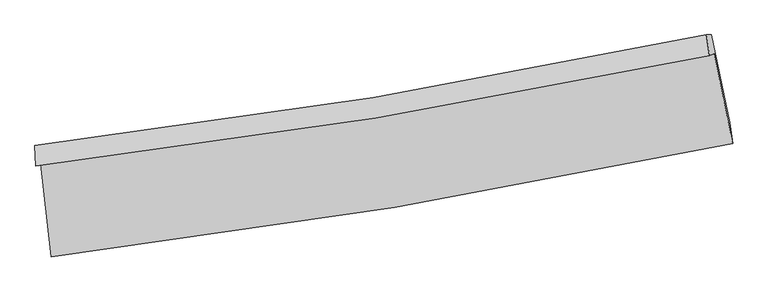
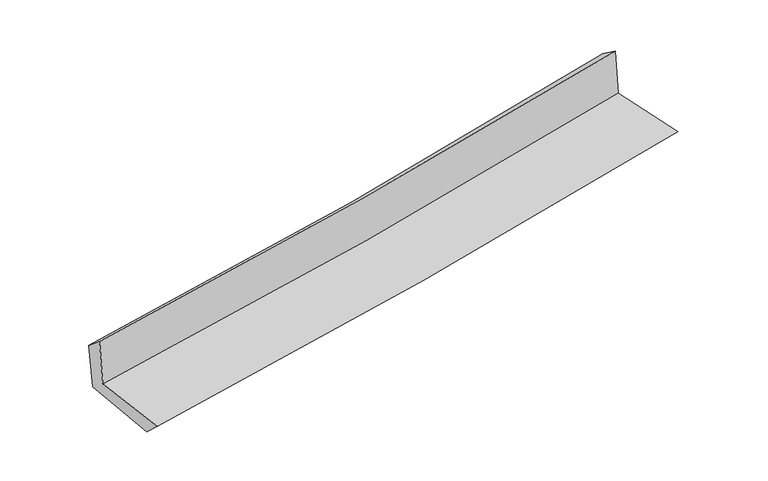
"""IFC4 building model written with IfcOpenShell, lengths in millimetres: proxy geometry."""

from ifc_helpers import new_model, si_unit, frame, origin, place, context, project, spatial, source, transform, mapped, element, save
from ifc_brep_helpers import plane_surface, spline_curve, spline_surface, advanced_brep


def generic_models_b63fba19(model_context):
    return source(origin(), model_context, "Body", "AdvancedBrep", [
        advanced_brep(
        [(-2473.3568721, -1880.8047891, 1663.1729171), (-2396.5465949, -2553.4709357, 1661.6167341), (2544.1783965, -1733.1470236, 2109.5174377), (2410.2389899, -1079.769251, 2109.6791212), (-2508.6511886, -1894.4451464, 2070.2486688), (2375.7689759, -1093.0910364, 2507.247575), (-2514.5691086, -1744.9427955, 1947.3812389), (2355.0473581, -943.7905499, 2401.6496635), (-2479.2338267, -1744.9798891, 1557.0746754), (2391.056408, -943.6471113, 2016.5013736), (-2400.8939368, -2406.6254664, 1524.7443002), (2524.254752, -1581.4342616, 1990.1072119)],
        [
            (0, 1),
            (1, 2, spline_curve(3, [(-2396.5465949, -2553.4709357, 1661.6167341), (-1564.019861424, -2453.392752141, 1741.774247164), (-733.979248612, -2334.557386017, 1819.352185218), (912.879759905, -2060.743961337, 1968.601243859), (1729.747477897, -1906.138023845, 2040.32354054), (2544.1783965, -1733.1470236, 2109.5174377)], [4, 2, 4], [0.0, 8.243399572650777, 16.40461985446414])),
            (2, 3),
            (3, 0, spline_curve(3, [(2410.2389899, -1079.769251, 2109.6791212), (1606.20146857, -1248.933403367, 2039.485765094), (799.269664396, -1400.025031092, 1967.37628246), (-828.537041589, -1667.402671866, 1818.579664328), (-1649.470524658, -1783.322890065, 1741.853745484), (-2473.3568721, -1880.8047891, 1663.1729171)], [4, 2, 4], [0.0, 8.161220281813364, 16.40461985446414])),
            (4, 0),
            (3, 5),
            (5, 4, spline_curve(3, [(2375.7689759, -1093.0910364, 2507.247575), (1571.319991551, -1262.414208734, 2441.799930141), (764.113419891, -1413.612027177, 2372.859546674), (-863.970820398, -1681.096927902, 2227.263939044), (-1684.904303612, -1797.017146019, 2150.538020147), (-2508.6511886, -1894.4451464, 2070.2486688)], [4, 2, 4], [0.0, 8.112767492344197, 16.307226380855628])),
            (6, 4),
            (5, 7),
            (7, 6, spline_curve(3, [(2355.0473581, -943.7905499, 2401.6496635), (1553.924400118, -1113.337712096, 2327.224529802), (749.610484794, -1264.631432531, 2252.348171551), (-873.530417746, -1532.051637453, 2100.934496234), (-1692.421991662, -1647.808665536, 2024.388046313), (-2514.5691086, -1744.9427955, 1947.3812389)], [4, 2, 4], [0.0, 8.102144141643945, 16.285872707777273])),
            (8, 6),
            (7, 9),
            (9, 8, spline_curve(3, [(2391.056408, -943.6471113, 2016.5013736), (1589.960524398, -1113.235182879, 1939.534207973), (785.604627892, -1264.564354663, 1862.954906546), (-837.759466327, -1532.044847334, 1709.804823266), (-1656.833648217, -1647.826601663, 1633.241892085), (-2479.2338267, -1744.9798891, 1557.0746754)], [4, 2, 4], [0.0, 8.092478665331345, 16.26644442877666])),
            (10, 8),
            (9, 11),
            (11, 10, spline_curve(3, [(2524.254752, -1581.4342616, 1990.1072119), (1713.609080363, -1757.17425713, 1912.000312211), (899.928520101, -1913.563132056, 1834.358548284), (-741.726282026, -2189.018540651, 1679.228163164), (-1569.761951394, -2307.693400592, 1601.748956432), (-2400.8939368, -2406.6254664, 1524.7443002)], [4, 2, 4], [0.0, 8.141183539924393, 16.364344611000483])),
            (1, 10),
            (11, 2),
        ],
        [
            spline_surface(3, 3, [[(-2473.3568721, -1880.8047891, 1663.1729171), (-1649.470524778, -1783.322889971, 1741.853745516), (-828.537041595, -1667.40267174, 1818.579664269), (799.269664402, -1400.025031217, 1967.376282518), (1606.201468539, -1248.933403373, 2039.485765159), (2410.2389899, -1079.769251, 2109.6791212)], [(-2447.75344638, -2105.026837986, 1662.654189431), (-1620.986970332, -2006.679510758, 1741.827246093), (-797.017777314, -1889.787576468, 1818.837171223), (837.139696271, -1620.264674637, 1967.784602988), (1647.383471614, -1468.001610171, 2039.765023644), (2454.885458746, -1297.561841844, 2109.625226707)], [(-2422.15002062, -2329.248886814, 1662.135461769), (-1592.503415848, -2230.036131488, 1741.800746675), (-765.498513016, -2112.172481172, 1819.094678186), (875.009728157, -1840.504318033, 1968.192923466), (1688.565474752, -1687.069817038, 2040.044282107), (2499.531927654, -1515.354432756, 2109.571332193)], [(-2396.5465949, -2553.4709357, 1661.6167341), (-1564.019861402, -2453.392752275, 1741.774247252), (-733.979248734, -2334.5573859, 1819.352185141), (912.879760026, -2060.743961453, 1968.601243936), (1729.747477827, -1906.138023837, 2040.323540592), (2544.1783965, -1733.1470236, 2109.5174377)]], [4, 4], [4, 2, 4], [0.0, 2.2049330961320703], [0.0, 8.243399572650777, 16.40461985446414]),
            spline_surface(3, 3, [[(-2508.6511886, -1894.4451464, 2070.2486688), (-1684.904303577, -1797.017145909, 2150.538020217), (-863.970820394, -1681.096927778, 2227.26393897), (764.113419887, -1413.6120273, 2372.859546747), (1571.319991493, -1262.414208795, 2441.799930034), (2375.7689759, -1093.0910364, 2507.247575)], [(-2496.886416422, -1889.898360606, 1934.556751572), (-1673.093043966, -1792.452393902, 2014.309928655), (-852.159560783, -1676.532175771, 2091.035847408), (775.83216807, -1409.083028612, 2237.698458676), (1582.947150505, -1257.920606996, 2307.695208387), (2387.258980563, -1088.650441275, 2374.724757045)], [(-2485.121644278, -1885.351574894, 1798.864834328), (-1661.281784389, -1787.887641977, 1878.081837078), (-840.348301206, -1671.967423747, 1954.807755831), (787.550916219, -1404.554029906, 2102.53737059), (1594.574309528, -1253.427005172, 2173.590486806), (2398.748985237, -1084.209846125, 2242.201939155)], [(-2473.3568721, -1880.8047891, 1663.1729171), (-1649.470524778, -1783.322889971, 1741.853745516), (-828.537041595, -1667.40267174, 1818.579664269), (799.269664402, -1400.025031217, 1967.376282518), (1606.201468539, -1248.933403373, 2039.485765159), (2410.2389899, -1079.769251, 2109.6791212)]], [4, 4], [4, 2, 4], [0.0, 1.3413864273474794], [0.0, 8.19445888851143, 16.307226380855628]),
            spline_surface(3, 3, [[(-2514.5691086, -1744.9427955, 1947.3812389), (-1692.421991654, -1647.808665468, 2024.388046229), (-873.530417863, -1532.051637431, 2100.934496275), (749.61048491, -1264.631432553, 2252.34817151), (1553.9244, -1113.337712069, 2327.224529699), (2355.0473581, -943.7905499, 2401.6496635)], [(-2512.596468599, -1794.77691247, 1988.337048854), (-1689.916095627, -1697.544825618, 2066.438037545), (-870.343885385, -1581.733400865, 2143.044310506), (754.444796557, -1314.291630786, 2292.518629922), (1559.722930511, -1163.02987764, 2365.416329828), (2361.954564047, -993.557378729, 2436.848967351)], [(-2510.623828601, -1844.61102943, 2029.292858846), (-1687.410199603, -1747.280985758, 2108.488028901), (-867.157352872, -1631.415164344, 2185.154124739), (759.279108239, -1363.951829067, 2332.689088335), (1565.521460982, -1212.722043225, 2403.608129905), (2368.861769953, -1043.324207571, 2472.048271149)], [(-2508.6511886, -1894.4451464, 2070.2486688), (-1684.904303577, -1797.017145909, 2150.538020217), (-863.970820394, -1681.096927778, 2227.26393897), (764.113419887, -1413.6120273, 2372.859546747), (1571.319991493, -1262.414208795, 2441.799930034), (2375.7689759, -1093.0910364, 2507.247575)]], [4, 4], [4, 2, 4], [0.0, 0.6360841153871], [0.0, 8.183728566133327, 16.285872707777273]),
            spline_surface(3, 3, [[(-2479.2338267, -1744.9798891, 1557.0746754), (-1656.833648344, -1647.826601618, 1633.241892057), (-837.759466412, -1532.044847378, 1709.804823279), (785.604627976, -1264.56435462, 1862.954906533), (1589.960524275, -1113.235182945, 1939.534208026), (2391.056408, -943.6471113, 2016.5013736)], [(-2491.012254007, -1744.967524572, 1687.176863255), (-1668.696429454, -1647.820622907, 1763.62394347), (-849.683116899, -1532.047110732, 1840.181380921), (773.606580284, -1264.586713934, 1992.752661502), (1577.948482851, -1113.269359327, 2068.764315247), (2379.053391368, -943.694924174, 2144.884136896)], [(-2502.790681293, -1744.955160028, 1817.279051045), (-1680.559210544, -1647.814644179, 1894.005994816), (-861.606767377, -1532.049374077, 1970.557938632), (761.608532602, -1264.609073239, 2122.550416541), (1565.936441424, -1113.303535687, 2197.994422479), (2367.050374732, -943.742737026, 2273.266900204)], [(-2514.5691086, -1744.9427955, 1947.3812389), (-1692.421991654, -1647.808665468, 2024.388046229), (-873.530417863, -1532.051637431, 2100.934496275), (749.61048491, -1264.631432553, 2252.34817151), (1553.9244, -1113.337712069, 2327.224529699), (2355.0473581, -943.7905499, 2401.6496635)]], [4, 4], [4, 2, 4], [0.0, 1.2858139860603712], [0.0, 8.173965763445313, 16.26644442877666]),
            spline_surface(3, 3, [[(-2400.8939368, -2406.6254664, 1524.7443002), (-1569.761951479, -2307.693400633, 1601.748956528), (-741.726282124, -2189.018540705, 1679.22816319), (899.928520199, -1913.563132003, 1834.358548258), (1713.609080484, -1757.174257016, 1912.000312199), (2524.254752, -1581.4342616, 1990.1072119)], [(-2427.007233443, -2186.076940634, 1535.521091915), (-1598.785850443, -2087.737800962, 1612.246601686), (-773.737343551, -1970.027309619, 1689.420383222), (861.820556127, -1697.230206232, 1843.890667685), (1672.392895093, -1542.527898993, 1921.178277484), (2479.855304012, -1368.838544834, 1998.905265809)], [(-2453.120530057, -1965.528414866, 1546.297883685), (-1627.80974938, -1867.782201289, 1622.744246899), (-805.748404985, -1751.036078463, 1699.612603247), (823.712592048, -1480.897280391, 1853.422787106), (1631.176709666, -1327.881540968, 1930.356242741), (2435.455855988, -1156.242828066, 2007.703319691)], [(-2479.2338267, -1744.9798891, 1557.0746754), (-1656.833648344, -1647.826601618, 1633.241892057), (-837.759466412, -1532.044847378, 1709.804823279), (785.604627976, -1264.56435462, 1862.954906533), (1589.960524275, -1113.235182945, 1939.534208026), (2391.056408, -943.6471113, 2016.5013736)]], [4, 4], [4, 2, 4], [0.0, 2.1722091390125304], [0.0, 8.22316107107609, 16.364344611000483]),
            spline_surface(3, 3, [[(-2396.5465949, -2553.4709357, 1661.6167341), (-1564.019861402, -2453.392752275, 1741.774247252), (-733.979248734, -2334.5573859, 1819.352185141), (912.879760026, -2060.743961453, 1968.601243936), (1729.747477827, -1906.138023837, 2040.323540592), (2544.1783965, -1733.1470236, 2109.5174377)], [(-2397.99570885, -2504.522445932, 1615.992589473), (-1565.933891411, -2404.826301726, 1695.09915035), (-736.561593191, -2286.044437477, 1772.644177843), (908.562680091, -2011.683684945, 1923.853678729), (1724.368012044, -1856.483434907, 1997.54913112), (2537.537181665, -1682.576102944, 2069.714029093)], [(-2399.44482285, -2455.573956168, 1570.368444827), (-1567.84792147, -2356.259851182, 1648.424053429), (-739.143937667, -2237.531489128, 1725.936170488), (904.245600135, -1962.623408511, 1879.106113465), (1718.988546267, -1806.828845946, 1954.77472167), (2530.895966835, -1632.005182256, 2029.910620507)], [(-2400.8939368, -2406.6254664, 1524.7443002), (-1569.761951479, -2307.693400633, 1601.748956528), (-741.726282124, -2189.018540705, 1679.22816319), (899.928520199, -1913.563132003, 1834.358548258), (1713.609080484, -1757.174257016, 1912.000312199), (2524.254752, -1581.4342616, 1990.1072119)]], [4, 4], [4, 2, 4], [0.0, 0.659054333371078], [0.0, 8.28186538844181, 16.48116801640661]),
            plane_surface(frame((2433.4241467, -1229.146539, 2189.1170638), z_axis=(0.9755429003242668, 0.1999591719479589, 0.09128186665929075), x_axis=(-0.09308802051464386, -0.0003708072667031771, 0.9956578141804725))),
            plane_surface(frame((-2462.208588, -2037.544837, 1737.3730891), z_axis=(-0.9895727975607562, -0.1127899217018289, -0.08957740725358153), x_axis=(-0.11345027726762745, 0.9935410164796971, 0.002298512647125084))),
        ],
        [
            (0, [[1, 2, 3, 4]]),
            (1, [[5, -4, 6, 7]]),
            (2, [[8, -7, 9, 10]]),
            (3, [[11, -10, 12, 13]]),
            (4, [[14, -13, 15, 16]]),
            (5, [[17, -16, 18, -2]]),
            (6, [[-12, -9, -6, -3, -18, -15]]),
            (7, [[-1, -5, -8, -11, -14, -17]]),
        ],
    ),
    ])


if __name__ == "__main__":
    model = new_model("IFC4")
    model_context = context("Model", 3, world=origin())
    ifc_project = project(units=[si_unit("LENGTHUNIT", "METRE", prefix="MILLI")], contexts=[model_context])
    site = spatial("IfcSite", under=ifc_project)
    building = spatial("IfcBuilding", under=site)
    placement = place(None, origin())
    generic_models_shape = generic_models_b63fba19(model_context)
    element("IfcBuildingElementProxy", 1, Name="Generic Models", at=placement, inside=building, context=model_context, shape_type="MappedRepresentation", body=[
        mapped(generic_models_shape, transform((0.0, 0.0, 0.0), x_axis=(1.0, 0.0, 0.0), y_axis=(0.0, 1.0, 0.0), z_axis=(0.0, 0.0, 1.0))),
    ])
    save(model, "model.ifc")
